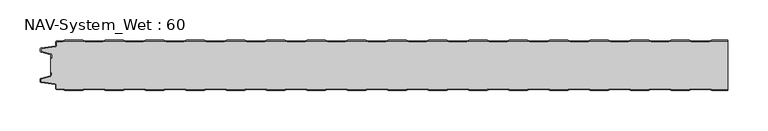
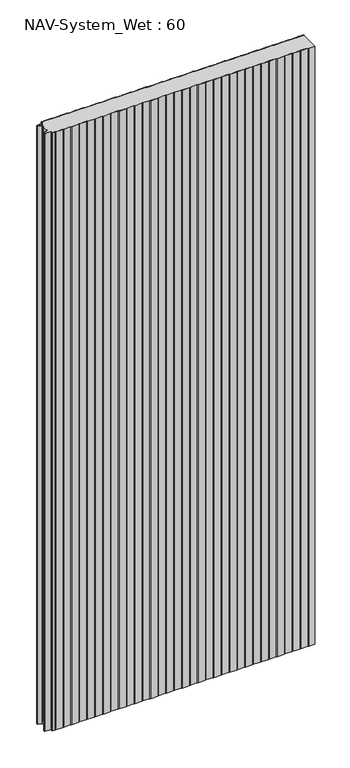
"""IFC4 building model written with IfcOpenShell, lengths in millimetres: plate geometry, NAV-System_Wet : 60."""

from ifc_helpers import new_model, si_unit, point, frame_2d, origin, origin_with_axes, place, context, project, spatial, polyline, circle_curve, trimmed, segment, composite_curve, outline, extrude, source, transform, mapped, element, save


def nav_system_wet_60_b0427dc2(model_context):
    return source(origin(), model_context, "Body", "SweptSolid", [
        extrude(outline(composite_curve([segment(polyline([(405.3684327, 0.2), (402.3684327, -0.8), (380.3684327, -0.8), (377.3684327, 0.2), (355.3684327, 0.2), (352.3684327, -0.8), (330.3684327, -0.8), (327.3684327, 0.2), (305.3684327, 0.2), (302.3684327, -0.8), (280.3684327, -0.8), (277.3684327, 0.2), (255.3684327, 0.2), (252.3684327, -0.8), (230.3684327, -0.8), (227.3684327, 0.2), (205.3684327, 0.2), (202.3684327, -0.8), (180.3684327, -0.8), (177.3684327, 0.2), (155.3684327, 0.2), (152.3684327, -0.8), (130.3684327, -0.8), (127.3684327, 0.2), (105.3684327, 0.2), (102.3684327, -0.8), (80.3684327, -0.8), (77.3684327, 0.2), (55.3684327, 0.2), (52.3684327, -0.8), (30.3684327, -0.8), (27.3684327, 0.2), (5.3684327, 0.2), (2.3684327, -0.8), (-19.6315673, -0.8), (-22.6315673, 0.2), (-44.6315673, 0.2), (-47.6315673, -0.8), (-69.6315673, -0.8), (-72.6315673, 0.2), (-94.6315673, 0.2), (-97.6315673, -0.8), (-119.6315673, -0.8), (-122.6315673, 0.2), (-144.6315673, 0.2), (-147.6315673, -0.8), (-169.6315673, -0.8), (-172.6315673, 0.2), (-194.6315673, 0.2), (-197.6315673, -0.8), (-219.6315673, -0.8), (-222.6315673, 0.2), (-244.6315673, 0.2), (-247.6315673, -0.8), (-269.6315673, -0.8), (-272.6315673, 0.2), (-294.6315673, 0.2), (-297.6315673, -0.8), (-319.6315673, -0.8), (-322.6315673, 0.2), (-344.6315673, 0.2), (-347.6315673, -0.8), (-369.6315673, -0.8), (-372.6315673, 0.2), (-394.6315673, 0.2), (-397.6315673, -0.8), (-404.7, -0.8)]), True, "CONTINUOUS"), segment(trimmed(circle_curve(frame_2d((-404.7, -1.3)), 0.5), [point((-404.7, -0.8))], [point((-405.2, -1.3))], True, "CARTESIAN"), True, "CONTINUOUS"), segment(polyline([(-405.2, -1.3), (-405.2, -5.3964683)]), True, "CONTINUOUS"), segment(trimmed(circle_curve(frame_2d((-406.7, -5.3964683)), 1.5), [point((-405.2, -5.3964683))], [point((-406.4911207, -6.8818536))], False, "CARTESIAN"), True, "CONTINUOUS"), segment(polyline([(-406.4911207, -6.8818536), (-423.4352183, -9.2645825)]), True, "CONTINUOUS"), segment(trimmed(circle_curve(frame_2d((-423.3114909, -10.1444347)), 0.8885091), [point((-423.4352183, -9.2645825))], [point((-424.2, -10.1444347))], True, "CARTESIAN"), True, "CONTINUOUS"), segment(polyline([(-424.2, -10.1444347), (-424.2, -12.46995)]), True, "CONTINUOUS"), segment(trimmed(circle_curve(frame_2d((-423.6, -12.46995)), 0.6), [point((-424.2, -12.46995))], [point((-423.7552914, -13.0495055))], True, "CARTESIAN"), True, "CONTINUOUS"), segment(polyline([(-423.7552914, -13.0495055), (-412.3785632, -16.0978907)]), True, "CONTINUOUS"), segment(trimmed(circle_curve(frame_2d((-412.7667917, -17.5467794)), 1.5), [point((-412.3785632, -16.0978907))], [point((-411.2667917, -17.5467794))], False, "CARTESIAN"), True, "CONTINUOUS"), segment(polyline([(-411.2667917, -17.5467794), (-411.2667917, -21.0096505), (-412.0667917, -21.0096505), (-412.0667917, -17.5467794)]), True, "CONTINUOUS"), segment(trimmed(circle_curve(frame_2d((-412.7667917, -17.5467794)), 0.7), [point((-412.0667917, -17.5467794))], [point((-412.5856184, -16.8706313))], True, "CARTESIAN"), True, "CONTINUOUS"), segment(polyline([(-412.5856184, -16.8706313), (-424.0364648, -13.8023863)]), True, "CONTINUOUS"), segment(trimmed(circle_curve(frame_2d((-423.7, -12.5466827)), 1.3), [point((-424.0364648, -13.8023863))], [point((-425.0, -12.5466827))], False, "CARTESIAN"), True, "CONTINUOUS"), segment(polyline([(-425.0, -12.5466827), (-425.0, -9.8067363)]), True, "CONTINUOUS"), segment(trimmed(circle_curve(frame_2d((-423.7, -9.8067363)), 1.3), [point((-425.0, -9.8067363))], [point((-423.8810287, -8.5194024))], False, "CARTESIAN"), True, "CONTINUOUS"), segment(polyline([(-423.8810287, -8.5194024), (-406.602523, -6.0896481)]), True, "CONTINUOUS"), segment(trimmed(circle_curve(frame_2d((-406.7, -5.3964683)), 0.7), [point((-406.602523, -6.0896481))], [point((-406.0, -5.3964683))], True, "CARTESIAN"), True, "CONTINUOUS"), segment(polyline([(-406.0, -5.3964683), (-406.0, -1.3)]), True, "CONTINUOUS"), segment(trimmed(circle_curve(frame_2d((-404.7, -1.3)), 1.3), [point((-406.0, -1.3))], [point((-404.7, 0.0))], False, "CARTESIAN"), True, "CONTINUOUS"), segment(polyline([(-404.7, 0.0), (-397.7613895, 0.0), (-394.7613895, 1.0), (-372.5017452, 1.0), (-369.5017452, 0.0), (-347.7613895, 0.0), (-344.7613895, 1.0), (-322.5017452, 1.0), (-319.5017452, 0.0), (-297.7613895, 0.0), (-294.7613895, 1.0), (-272.5017452, 1.0), (-269.5017452, 0.0), (-247.7613895, 0.0), (-244.7613895, 1.0), (-222.5017452, 1.0), (-219.5017452, 0.0), (-197.7613895, 0.0), (-194.7613895, 1.0), (-172.5017452, 1.0), (-169.5017452, 0.0), (-147.7613895, 0.0), (-144.7613895, 1.0), (-122.5017452, 1.0), (-119.5017452, 0.0), (-97.7613895, 0.0), (-94.7613895, 1.0), (-72.5017452, 1.0), (-69.5017452, 0.0), (-47.7613895, 0.0), (-44.7613895, 1.0), (-22.5017452, 1.0), (-19.5017452, 0.0), (2.2386105, 0.0), (5.2386105, 1.0), (27.4982548, 1.0), (30.4982548, 0.0), (52.2386105, 0.0), (55.2386105, 1.0), (77.4982548, 1.0), (80.4982548, 0.0), (102.2386105, 0.0), (105.2386105, 1.0), (127.4982548, 1.0), (130.4982548, 0.0), (152.2386105, 0.0), (155.2386105, 1.0), (177.4982548, 1.0), (180.4982548, 0.0), (202.2386105, 0.0), (205.2386105, 1.0), (227.4982548, 1.0), (230.4982548, 0.0), (252.2386105, 0.0), (255.2386105, 1.0), (277.4982548, 1.0), (280.4982548, 0.0), (302.2386105, 0.0), (305.2386105, 1.0), (327.4982548, 1.0), (330.4982548, 0.0), (352.2386105, 0.0), (355.2386105, 1.0), (377.4982548, 1.0), (380.4982548, 0.0), (402.2386105, 0.0), (405.2386105, 1.0), (425.0, 1.0), (425.0, 0.2), (405.3684327, 0.2)]), True, "CONTINUOUS")], self_intersect=False)), origin_with_axes(), (0.0, 0.0, 1.0), 2000.0),
        extrude(outline(composite_curve([segment(polyline([(405.3684327, -60.2), (402.3684327, -59.2), (380.3684327, -59.2), (377.3684327, -60.2), (355.3684327, -60.2), (352.3684327, -59.2), (330.3684327, -59.2), (327.3684327, -60.2), (305.3684327, -60.2), (302.3684327, -59.2), (280.3684327, -59.2), (277.3684327, -60.2), (255.3684327, -60.2), (252.3684327, -59.2), (230.3684327, -59.2), (227.3684327, -60.2), (205.3684327, -60.2), (202.3684327, -59.2), (180.3684327, -59.2), (177.3684327, -60.2), (155.3684327, -60.2), (152.3684327, -59.2), (130.3684327, -59.2), (127.3684327, -60.2), (105.3684327, -60.2), (102.3684327, -59.2), (80.3684327, -59.2), (77.3684327, -60.2), (55.3684327, -60.2), (52.3684327, -59.2), (30.3684327, -59.2), (27.3684327, -60.2), (5.3684327, -60.2), (2.3684327, -59.2), (-19.6315673, -59.2), (-22.6315673, -60.2), (-44.6315673, -60.2), (-47.6315673, -59.2), (-69.6315673, -59.2), (-72.6315673, -60.2), (-94.6315673, -60.2), (-97.6315673, -59.2), (-119.6315673, -59.2), (-122.6315673, -60.2), (-144.6315673, -60.2), (-147.6315673, -59.2), (-169.6315673, -59.2), (-172.6315673, -60.2), (-194.6315673, -60.2), (-197.6315673, -59.2), (-219.6315673, -59.2), (-222.6315673, -60.2), (-244.6315673, -60.2), (-247.6315673, -59.2), (-269.6315673, -59.2), (-272.6315673, -60.2), (-294.6315673, -60.2), (-297.6315673, -59.2), (-319.6315673, -59.2), (-322.6315673, -60.2), (-344.6315673, -60.2), (-347.6315673, -59.2), (-369.6315673, -59.2), (-372.6315673, -60.2), (-394.6315673, -60.2), (-397.6315673, -59.2), (-404.7, -59.2)]), True, "CONTINUOUS"), segment(trimmed(circle_curve(frame_2d((-404.7, -58.7)), 0.5), [point((-404.7, -59.2))], [point((-405.2, -58.7))], False, "CARTESIAN"), True, "CONTINUOUS"), segment(polyline([(-405.2, -58.7), (-405.2, -54.6035317)]), True, "CONTINUOUS"), segment(trimmed(circle_curve(frame_2d((-406.7, -54.6035317)), 1.5), [point((-405.2, -54.6035317))], [point((-406.4911207, -53.1181464))], True, "CARTESIAN"), True, "CONTINUOUS"), segment(polyline([(-406.4911207, -53.1181464), (-423.4352183, -50.7354175)]), True, "CONTINUOUS"), segment(trimmed(circle_curve(frame_2d((-423.3114909, -49.8555653)), 0.8885091), [point((-423.4352183, -50.7354175))], [point((-424.2, -49.8555653))], False, "CARTESIAN"), True, "CONTINUOUS"), segment(polyline([(-424.2, -49.8555653), (-424.2, -47.53005)]), True, "CONTINUOUS"), segment(trimmed(circle_curve(frame_2d((-423.6, -47.53005)), 0.6), [point((-424.2, -47.53005))], [point((-423.7552914, -46.9504945))], False, "CARTESIAN"), True, "CONTINUOUS"), segment(polyline([(-423.7552914, -46.9504945), (-412.3785632, -43.9021093)]), True, "CONTINUOUS"), segment(trimmed(circle_curve(frame_2d((-412.7667917, -42.4532206)), 1.5), [point((-412.3785632, -43.9021093))], [point((-411.2667917, -42.4532206))], True, "CARTESIAN"), True, "CONTINUOUS"), segment(polyline([(-411.2667917, -42.4532206), (-411.2667917, -38.9903495), (-412.0667917, -38.9903495), (-412.0667917, -21.0096505), (-411.2667917, -21.0096505), (-411.2667917, -17.5467794)]), True, "CONTINUOUS"), segment(trimmed(circle_curve(frame_2d((-412.7667917, -17.5467794)), 1.5), [point((-411.2667917, -17.5467794))], [point((-412.3785632, -16.0978907))], True, "CARTESIAN"), True, "CONTINUOUS"), segment(polyline([(-412.3785632, -16.0978907), (-423.7552914, -13.0495055)]), True, "CONTINUOUS"), segment(trimmed(circle_curve(frame_2d((-423.6, -12.46995)), 0.6), [point((-423.7552914, -13.0495055))], [point((-424.2, -12.46995))], False, "CARTESIAN"), True, "CONTINUOUS"), segment(polyline([(-424.2, -12.46995), (-424.2, -10.1444347)]), True, "CONTINUOUS"), segment(trimmed(circle_curve(frame_2d((-423.3114909, -10.1444347)), 0.8885091), [point((-424.2, -10.1444347))], [point((-423.4352183, -9.2645825))], False, "CARTESIAN"), True, "CONTINUOUS"), segment(polyline([(-423.4352183, -9.2645825), (-406.4911207, -6.8818536)]), True, "CONTINUOUS"), segment(trimmed(circle_curve(frame_2d((-406.7, -5.3964683)), 1.5), [point((-406.4911207, -6.8818536))], [point((-405.2, -5.3964683))], True, "CARTESIAN"), True, "CONTINUOUS"), segment(polyline([(-405.2, -5.3964683), (-405.2, -1.3)]), True, "CONTINUOUS"), segment(trimmed(circle_curve(frame_2d((-404.7, -1.3)), 0.5), [point((-405.2, -1.3))], [point((-404.7, -0.8))], False, "CARTESIAN"), True, "CONTINUOUS"), segment(polyline([(-404.7, -0.8), (-397.6315673, -0.8), (-394.6315673, 0.2), (-372.6315673, 0.2), (-369.6315673, -0.8), (-347.6315673, -0.8), (-344.6315673, 0.2), (-322.6315673, 0.2), (-319.6315673, -0.8), (-297.6315673, -0.8), (-294.6315673, 0.2), (-272.6315673, 0.2), (-269.6315673, -0.8), (-247.6315673, -0.8), (-244.6315673, 0.2), (-222.6315673, 0.2), (-219.6315673, -0.8), (-197.6315673, -0.8), (-194.6315673, 0.2), (-172.6315673, 0.2), (-169.6315673, -0.8), (-147.6315673, -0.8), (-144.6315673, 0.2), (-122.6315673, 0.2), (-119.6315673, -0.8), (-97.6315673, -0.8), (-94.6315673, 0.2), (-72.6315673, 0.2), (-69.6315673, -0.8), (-47.6315673, -0.8), (-44.6315673, 0.2), (-22.6315673, 0.2), (-19.6315673, -0.8), (2.3684327, -0.8), (5.3684327, 0.2), (27.3684327, 0.2), (30.3684327, -0.8), (52.3684327, -0.8), (55.3684327, 0.2), (77.3684327, 0.2), (80.3684327, -0.8), (102.3684327, -0.8), (105.3684327, 0.2), (127.3684327, 0.2), (130.3684327, -0.8), (152.3684327, -0.8), (155.3684327, 0.2), (177.3684327, 0.2), (180.3684327, -0.8), (202.3684327, -0.8), (205.3684327, 0.2), (227.3684327, 0.2), (230.3684327, -0.8), (252.3684327, -0.8), (255.3684327, 0.2), (277.3684327, 0.2), (280.3684327, -0.8), (302.3684327, -0.8), (305.3684327, 0.2), (327.3684327, 0.2), (330.3684327, -0.8), (352.3684327, -0.8), (355.3684327, 0.2), (377.3684327, 0.2), (380.3684327, -0.8), (402.3684327, -0.8), (405.3684327, 0.2), (425.0, 0.2), (425.0, -60.2), (405.3684327, -60.2)]), True, "CONTINUOUS")], self_intersect=False)), origin_with_axes(), (0.0, 0.0, 1.0), 2000.0),
        extrude(outline(composite_curve([segment(polyline([(405.2386105, -61.0), (402.2386105, -60.0), (380.4982548, -60.0), (377.4982548, -61.0), (355.2386105, -61.0), (352.2386105, -60.0), (330.4982548, -60.0), (327.4982548, -61.0), (305.2386105, -61.0), (302.2386105, -60.0), (280.4982548, -60.0), (277.4982548, -61.0), (255.2386105, -61.0), (252.2386105, -60.0), (230.4982548, -60.0), (227.4982548, -61.0), (205.2386105, -61.0), (202.2386105, -60.0), (180.4982548, -60.0), (177.4982548, -61.0), (155.2386105, -61.0), (152.2386105, -60.0), (130.4982548, -60.0), (127.4982548, -61.0), (105.2386105, -61.0), (102.2386105, -60.0), (80.4982548, -60.0), (77.4982548, -61.0), (55.2386105, -61.0), (52.2386105, -60.0), (30.4982548, -60.0), (27.4982548, -61.0), (5.2386105, -61.0), (2.2386105, -60.0), (-19.5017452, -60.0), (-22.5017452, -61.0), (-44.7613895, -61.0), (-47.7613895, -60.0), (-69.5017452, -60.0), (-72.5017452, -61.0), (-94.7613895, -61.0), (-97.7613895, -60.0), (-119.5017452, -60.0), (-122.5017452, -61.0), (-144.7613895, -61.0), (-147.7613895, -60.0), (-169.5017452, -60.0), (-172.5017452, -61.0), (-194.7613895, -61.0), (-197.7613895, -60.0), (-219.5017452, -60.0), (-222.5017452, -61.0), (-244.7613895, -61.0), (-247.7613895, -60.0), (-269.5017452, -60.0), (-272.5017452, -61.0), (-294.7613895, -61.0), (-297.7613895, -60.0), (-319.5017452, -60.0), (-322.5017452, -61.0), (-344.7613895, -61.0), (-347.7613895, -60.0), (-369.5017452, -60.0), (-372.5017452, -61.0), (-394.7613895, -61.0), (-397.7613895, -60.0), (-404.7, -60.0)]), True, "CONTINUOUS"), segment(trimmed(circle_curve(frame_2d((-404.7, -58.7)), 1.3), [point((-404.7, -60.0))], [point((-406.0, -58.7))], False, "CARTESIAN"), True, "CONTINUOUS"), segment(polyline([(-406.0, -58.7), (-406.0, -54.6035317)]), True, "CONTINUOUS"), segment(trimmed(circle_curve(frame_2d((-406.7, -54.6035317)), 0.7), [point((-406.0, -54.6035317))], [point((-406.602523, -53.9103519))], True, "CARTESIAN"), True, "CONTINUOUS"), segment(polyline([(-406.602523, -53.9103519), (-423.8810287, -51.4805976)]), True, "CONTINUOUS"), segment(trimmed(circle_curve(frame_2d((-423.7, -50.1932637)), 1.3), [point((-423.8810287, -51.4805976))], [point((-425.0, -50.1932637))], False, "CARTESIAN"), True, "CONTINUOUS"), segment(polyline([(-425.0, -50.1932637), (-425.0, -47.4533173)]), True, "CONTINUOUS"), segment(trimmed(circle_curve(frame_2d((-423.7, -47.4533173)), 1.3), [point((-425.0, -47.4533173))], [point((-424.0364648, -46.1976137))], False, "CARTESIAN"), True, "CONTINUOUS"), segment(polyline([(-424.0364648, -46.1976137), (-412.5856184, -43.1293687)]), True, "CONTINUOUS"), segment(trimmed(circle_curve(frame_2d((-412.7667917, -42.4532206)), 0.7), [point((-412.5856184, -43.1293687))], [point((-412.0667917, -42.4532206))], True, "CARTESIAN"), True, "CONTINUOUS"), segment(polyline([(-412.0667917, -42.4532206), (-412.0667917, -38.9903495), (-411.2667917, -38.9903495), (-411.2667917, -42.4532206)]), True, "CONTINUOUS"), segment(trimmed(circle_curve(frame_2d((-412.7667917, -42.4532206)), 1.5), [point((-411.2667917, -42.4532206))], [point((-412.3785632, -43.9021093))], False, "CARTESIAN"), True, "CONTINUOUS"), segment(polyline([(-412.3785632, -43.9021093), (-423.7552914, -46.9504945)]), True, "CONTINUOUS"), segment(trimmed(circle_curve(frame_2d((-423.6, -47.53005)), 0.6), [point((-423.7552914, -46.9504945))], [point((-424.2, -47.53005))], True, "CARTESIAN"), True, "CONTINUOUS"), segment(polyline([(-424.2, -47.53005), (-424.2, -49.8555653)]), True, "CONTINUOUS"), segment(trimmed(circle_curve(frame_2d((-423.3114909, -49.8555653)), 0.8885091), [point((-424.2, -49.8555653))], [point((-423.4352183, -50.7354175))], True, "CARTESIAN"), True, "CONTINUOUS"), segment(polyline([(-423.4352183, -50.7354175), (-406.4911207, -53.1181464)]), True, "CONTINUOUS"), segment(trimmed(circle_curve(frame_2d((-406.7, -54.6035317)), 1.5), [point((-406.4911207, -53.1181464))], [point((-405.2, -54.6035317))], False, "CARTESIAN"), True, "CONTINUOUS"), segment(polyline([(-405.2, -54.6035317), (-405.2, -58.7)]), True, "CONTINUOUS"), segment(trimmed(circle_curve(frame_2d((-404.7, -58.7)), 0.5), [point((-405.2, -58.7))], [point((-404.7, -59.2))], True, "CARTESIAN"), True, "CONTINUOUS"), segment(polyline([(-404.7, -59.2), (-397.6315673, -59.2), (-394.6315673, -60.2), (-372.6315673, -60.2), (-369.6315673, -59.2), (-347.6315673, -59.2), (-344.6315673, -60.2), (-322.6315673, -60.2), (-319.6315673, -59.2), (-297.6315673, -59.2), (-294.6315673, -60.2), (-272.6315673, -60.2), (-269.6315673, -59.2), (-247.6315673, -59.2), (-244.6315673, -60.2), (-222.6315673, -60.2), (-219.6315673, -59.2), (-197.6315673, -59.2), (-194.6315673, -60.2), (-172.6315673, -60.2), (-169.6315673, -59.2), (-147.6315673, -59.2), (-144.6315673, -60.2), (-122.6315673, -60.2), (-119.6315673, -59.2), (-97.6315673, -59.2), (-94.6315673, -60.2), (-72.6315673, -60.2), (-69.6315673, -59.2), (-47.6315673, -59.2), (-44.6315673, -60.2), (-22.6315673, -60.2), (-19.6315673, -59.2), (2.3684327, -59.2), (5.3684327, -60.2), (27.3684327, -60.2), (30.3684327, -59.2), (52.3684327, -59.2), (55.3684327, -60.2), (77.3684327, -60.2), (80.3684327, -59.2), (102.3684327, -59.2), (105.3684327, -60.2), (127.3684327, -60.2), (130.3684327, -59.2), (152.3684327, -59.2), (155.3684327, -60.2), (177.3684327, -60.2), (180.3684327, -59.2), (202.3684327, -59.2), (205.3684327, -60.2), (227.3684327, -60.2), (230.3684327, -59.2), (252.3684327, -59.2), (255.3684327, -60.2), (277.3684327, -60.2), (280.3684327, -59.2), (302.3684327, -59.2), (305.3684327, -60.2), (327.3684327, -60.2), (330.3684327, -59.2), (352.3684327, -59.2), (355.3684327, -60.2), (377.3684327, -60.2), (380.3684327, -59.2), (402.3684327, -59.2), (405.3684327, -60.2), (425.0, -60.2), (425.0, -61.0), (405.2386105, -61.0)]), True, "CONTINUOUS")], self_intersect=False)), origin_with_axes(), (0.0, 0.0, 1.0), 2000.0),
    ])


if __name__ == "__main__":
    model = new_model("IFC4")
    model_context = context("Model", 3, world=origin())
    ifc_project = project(units=[si_unit("LENGTHUNIT", "METRE", prefix="MILLI")], contexts=[model_context])
    site = spatial("IfcSite", under=ifc_project)
    building = spatial("IfcBuilding", under=site)
    placement = place(None, origin())
    nav_system_wet_60_shape = nav_system_wet_60_b0427dc2(model_context)
    element("IfcPlate", 1, ObjectType="NAV-System_Wet : 60", at=placement, inside=building, context=model_context, shape_type="MappedRepresentation", body=[
        mapped(nav_system_wet_60_shape, transform((0.0, 0.0, 0.0), x_axis=(1.0, 0.0, 0.0), y_axis=(0.0, 1.0, 0.0), z_axis=(0.0, 0.0, 1.0))),
    ])
    save(model, "model.ifc")
